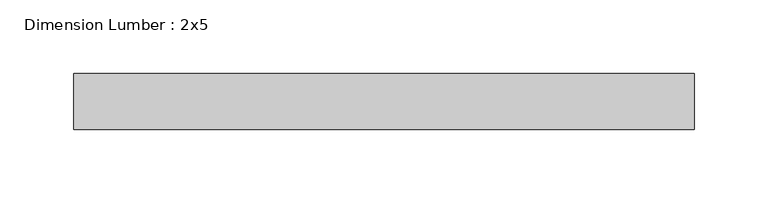
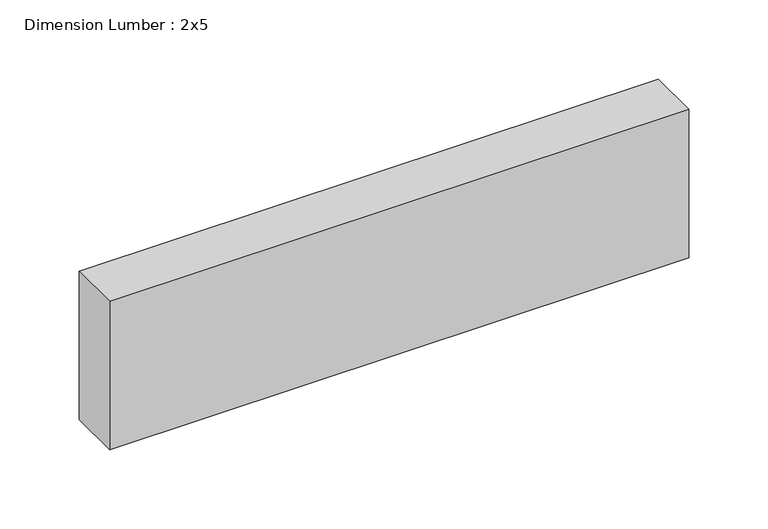
"""IFC4 building model written with IfcOpenShell, lengths in millimetres: beam geometry, Dimension Lumber : 2x5."""

from ifc_helpers import new_model, si_unit, frame, origin, place, context, project, spatial, polyline, outline, extrude, source, transform, mapped, element, save


def dimension_lumber_2x5_c0108045(model_context):
    return source(origin(), model_context, "Body", "SweptSolid", [
        extrude(outline(polyline([(212.9175343, 19.05), (212.9175343, -19.05), (-208.8304037, -19.05), (-208.8304037, 19.05), (212.9175343, 19.05)])), frame((0.0, 0.0, -57.15), z_axis=(0.0, 0.0, 1.0), x_axis=(1.0, 0.0, 0.0)), (0.0, 0.0, 1.0), 114.3),
    ])


if __name__ == "__main__":
    model = new_model("IFC4")
    model_context = context("Model", 3, world=origin())
    ifc_project = project(units=[si_unit("LENGTHUNIT", "METRE", prefix="MILLI")], contexts=[model_context])
    site = spatial("IfcSite", under=ifc_project)
    building = spatial("IfcBuilding", under=site)
    placement = place(None, origin())
    dimension_lumber_2x5_shape = dimension_lumber_2x5_c0108045(model_context)
    element("IfcBeam", 1, ObjectType="Dimension Lumber : 2x5", at=placement, inside=building, context=model_context, shape_type="MappedRepresentation", body=[
        mapped(dimension_lumber_2x5_shape, transform((0.0, 0.0, 0.0), x_axis=(1.0, 0.0, 0.0), y_axis=(0.0, 1.0, 0.0), z_axis=(0.0, 0.0, 1.0))),
    ])
    save(model, "model.ifc")
